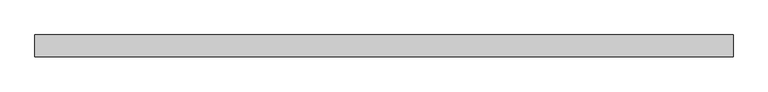
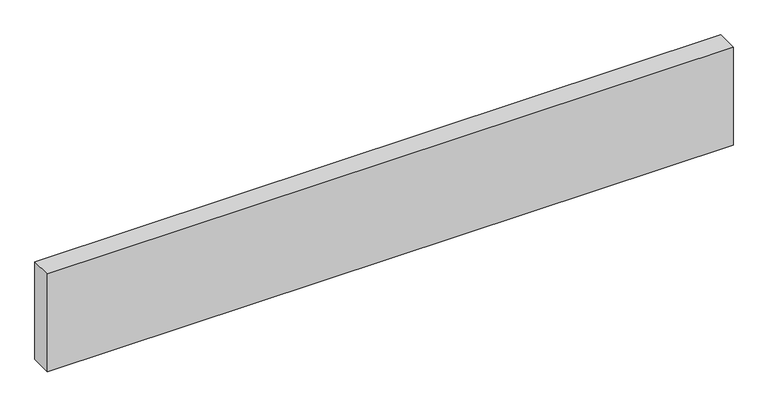
"""IFC4 building model written with IfcOpenShell, lengths in millimetres: beam geometry."""

from ifc_helpers import new_model, si_unit, frame, origin, place, context, project, spatial, polyline, outline, extrude, source, transform, mapped, element, save


def beam_f6ca01e1(model_context):
    return source(origin(), model_context, "Body", "SweptSolid", [
        extrude(outline(polyline([(-609.6, 19.05), (609.6, 19.05), (609.6, -19.05), (-609.6, -19.05), (-609.6, 19.05)])), frame((0.0, 0.0, -92.075), z_axis=(0.0, 0.0, 1.0), x_axis=(1.0, 0.0, 0.0)), (0.0, 0.0, 1.0), 184.15),
    ])


if __name__ == "__main__":
    model = new_model("IFC4")
    model_context = context("Model", 3, world=origin())
    ifc_project = project(units=[si_unit("LENGTHUNIT", "METRE", prefix="MILLI")], contexts=[model_context])
    site = spatial("IfcSite", under=ifc_project)
    building = spatial("IfcBuilding", under=site)
    placement = place(None, origin())
    beam_shape = beam_f6ca01e1(model_context)
    element("IfcBeam", 1, at=placement, inside=building, context=model_context, shape_type="MappedRepresentation", body=[
        mapped(beam_shape, transform((0.0, 0.0, 0.0), x_axis=(1.0, 0.0, 0.0), y_axis=(0.0, 1.0, 0.0), z_axis=(0.0, 0.0, 1.0))),
    ])
    save(model, "model.ifc")
